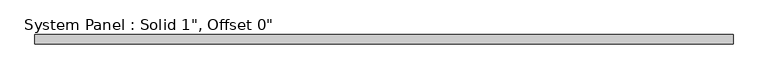
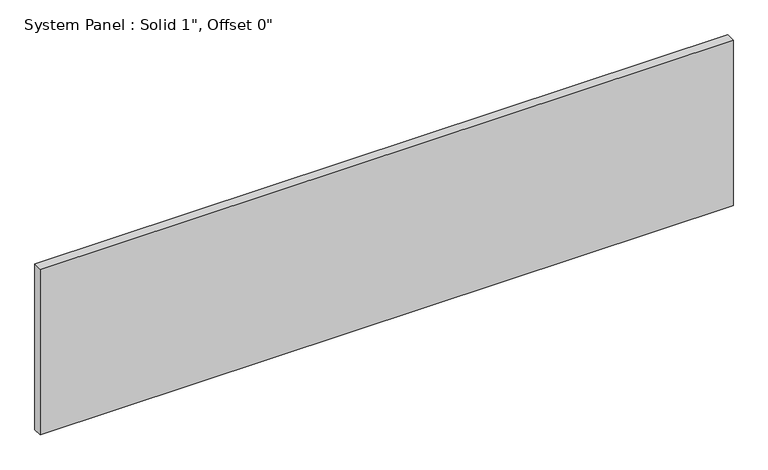
"""IFC4 building model written with IfcOpenShell, lengths in millimetres: plate geometry."""

from ifc_helpers import new_model, si_unit, origin, origin_with_axes, place, context, project, spatial, polyline, outline, extrude, source, transform, mapped, element, save


def plate_cb43bc6b(model_context):
    return source(origin(), model_context, "Body", "SweptSolid", [
        extrude(outline(polyline([(965.7865333, -12.7), (-965.7865333, -12.7), (-965.7865333, 12.7), (965.7865333, 12.7), (965.7865333, -12.7)])), origin_with_axes(), (0.0, 0.0, 1.0), 488.3463668),
    ])


if __name__ == "__main__":
    model = new_model("IFC4")
    model_context = context("Model", 3, world=origin())
    ifc_project = project(units=[si_unit("LENGTHUNIT", "METRE", prefix="MILLI")], contexts=[model_context])
    site = spatial("IfcSite", under=ifc_project)
    building = spatial("IfcBuilding", under=site)
    placement = place(None, origin())
    plate_shape = plate_cb43bc6b(model_context)
    element("IfcPlate", 1, ObjectType="System Panel : Solid 1\", Offset 0\"", at=placement, inside=building, context=model_context, shape_type="MappedRepresentation", body=[
        mapped(plate_shape, transform((0.0, 0.0, 0.0), x_axis=(1.0, 0.0, 0.0), y_axis=(0.0, 1.0, 0.0), z_axis=(0.0, 0.0, 1.0))),
    ])
    save(model, "model.ifc")
